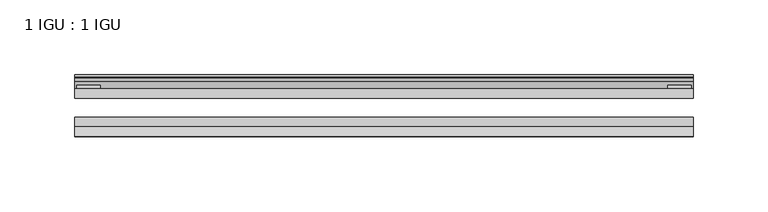
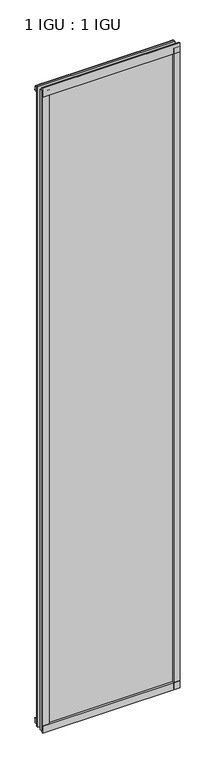
"""IFC4 building model written with IfcOpenShell, lengths in millimetres: plate geometry, 1 IGU : 1 IGU."""

from ifc_helpers import new_model, si_unit, point, frame, frame_2d, origin, place, context, project, spatial, polyline, circle_curve, trimmed, segment, composite_curve, outline, extrude, source, transform, mapped, element, save


def plate_1_igu_1_igu_457222c9(model_context):
    return source(origin(), model_context, "Body", "SweptSolid", [
        extrude(outline(polyline([(206.8731437, 0.0021347), (206.8731437, -6.2992), (-206.8731437, -6.2992), (-206.8731437, 0.0021347), (206.8731437, 0.0021347)])), frame((0.0, 0.0, -19.05), z_axis=(0.0, 0.0, 1.0), x_axis=(1.0, 0.0, 0.0)), (0.0, 0.0, 1.0), 2036.7580337),
        extrude(outline(polyline([(-206.8731437, -19.0986653), (206.8731437, -19.0986653), (206.8731437, -25.3978653), (-206.8731437, -25.3978653), (-206.8731437, -19.0986653)])), frame((0.0, 0.0, -19.05), z_axis=(0.0, 0.0, 1.0), x_axis=(1.0, 0.0, 0.0)), (0.0, 0.0, 1.0), 2036.7580337),
        extrude(outline(composite_curve([segment(polyline([(-31.75, 0.0), (-25.4, 0.0), (-25.4, -22.225)]), True, "CONTINUOUS"), segment(trimmed(circle_curve(frame_2d((-28.575, -28.9113452)), 7.4018806), [point((-25.4, -22.225))], [point((-31.75, -22.225))], True, "CARTESIAN"), True, "CONTINUOUS"), segment(polyline([(-31.75, -22.225), (-31.75, 0.0)]), True, "CONTINUOUS")], self_intersect=False)), frame((-206.8731437, 0.0, 0.0), z_axis=(1.0, 0.0, 0.0), x_axis=(0.0, 1.0, 0.0)), (0.0, 0.0, 1.0), 413.7462875),
        extrude(outline(composite_curve([segment(trimmed(circle_curve(frame_2d((13.6593785, 32.4202472)), 31.3046461), [point((0.0, 4.2528503))], [point((9.3980339, 1.406995))], True, "CARTESIAN"), True, "CONTINUOUS"), segment(polyline([(9.3980339, 1.406995), (9.3980339, 0.0254), (6.35, 0.0254), (6.35, -5.1625788), (7.7309478, -5.3970663), (6.35, -8.0073788), (6.35, -11.8471127)]), True, "CONTINUOUS"), segment(trimmed(circle_curve(frame_2d((5.334, -11.8471127)), 1.016), [point((6.35, -11.8471127))], [point((4.6284878, -12.5782136))], False, "CARTESIAN"), True, "CONTINUOUS"), segment(trimmed(circle_curve(frame_2d((-23.3689302, -41.5910901)), 40.3187601), [point((4.6284878, -12.5782136))], [point((0.0, -8.735413))], True, "CARTESIAN"), True, "CONTINUOUS"), segment(polyline([(0.0, -8.735413), (0.0, 4.2528503)]), True, "CONTINUOUS")], self_intersect=False)), frame((-206.8731437, 0.0, 0.0), z_axis=(1.0, 0.0, 0.0), x_axis=(0.0, 1.0, 0.0)), (0.0, 0.0, 1.0), 413.7462875),
        extrude(outline(composite_curve([segment(trimmed(circle_curve(frame_2d((-23.3689302, 2041.8747237)), 40.3187601), [point((0.0, 2009.0190467))], [point((4.9746073, 2013.1998864))], True, "CARTESIAN"), True, "CONTINUOUS"), segment(trimmed(circle_curve(frame_2d((5.8674, 2012.2966582)), 1.27), [point((4.9746073, 2013.1998864))], [point((7.1374, 2012.2966582))], False, "CARTESIAN"), True, "CONTINUOUS"), segment(polyline([(7.1374, 2012.2966582), (7.1374, 2007.8958505), (7.7309478, 2005.6806999), (6.35, 2005.4462125), (6.35, 2000.2582337), (9.3980339, 2000.2582337), (9.3980339, 1998.8766387)]), True, "CONTINUOUS"), segment(trimmed(circle_curve(frame_2d((13.6593785, 1967.8633864)), 31.3046461), [point((9.3980339, 1998.8766387))], [point((0.0, 1996.0307834))], True, "CARTESIAN"), True, "CONTINUOUS"), segment(polyline([(0.0, 1996.0307834), (0.0, 2009.0190467)]), True, "CONTINUOUS")], self_intersect=False)), frame((-206.8731437, 0.0, 0.0), z_axis=(1.0, 0.0, 0.0), x_axis=(0.0, 1.0, 0.0)), (0.0, 0.0, 1.0), 413.7462875),
        extrude(outline(composite_curve([segment(polyline([(-25.4, 2025.6582337), (-25.4, 2000.2582337), (-31.75, 2000.2582337), (-31.75, 2028.431131)]), True, "CONTINUOUS"), segment(trimmed(circle_curve(frame_2d((-24.1401272, 2037.2006452)), 11.6109665), [point((-31.75, 2028.431131))], [point((-25.4, 2025.6582337))], True, "CARTESIAN"), True, "CONTINUOUS")], self_intersect=False)), frame((-206.8731437, 0.0, 0.0), z_axis=(1.0, 0.0, 0.0), x_axis=(0.0, 1.0, 0.0)), (0.0, 0.0, 1.0), 413.7462875),
        extrude(outline(composite_curve([segment(polyline([(187.8231437, -25.4), (206.8731437, -25.4)]), True, "CONTINUOUS"), segment(trimmed(circle_curve(frame_2d((216.3392944, -28.575)), 9.9844196), [point((206.8731437, -25.4))], [point((206.8731437, -31.75))], True, "CARTESIAN"), True, "CONTINUOUS"), segment(polyline([(206.8731437, -31.75), (187.8231437, -31.75), (187.8231437, -25.4)]), True, "CONTINUOUS")], self_intersect=False)), frame((0.0, 0.0, -19.05), z_axis=(0.0, 0.0, 1.0), x_axis=(1.0, 0.0, 0.0)), (0.0, 0.0, 1.0), 2036.7580337),
        extrude(outline(polyline([(205.6666437, 2.2860088), (205.6666437, 0.0021347), (189.7916437, 0.0021347), (189.7916437, 2.2860088), (205.6666437, 2.2860088)])), frame((0.0, 0.0, -19.05), z_axis=(0.0, 0.0, 1.0), x_axis=(1.0, 0.0, 0.0)), (0.0, 0.0, 1.0), 2036.7580337),
        extrude(outline(composite_curve([segment(trimmed(circle_curve(frame_2d((-216.3392944, -28.575)), 9.9844196), [point((-206.8731437, -31.75))], [point((-206.8731437, -25.4))], True, "CARTESIAN"), True, "CONTINUOUS"), segment(polyline([(-206.8731437, -25.4), (-187.8231437, -25.4), (-187.8231437, -31.75), (-206.8731437, -31.75)]), True, "CONTINUOUS")], self_intersect=False)), frame((0.0, 0.0, -19.05), z_axis=(0.0, 0.0, 1.0), x_axis=(1.0, 0.0, 0.0)), (0.0, 0.0, 1.0), 2036.7580337),
        extrude(outline(polyline([(-205.6666437, 0.0), (-205.6666437, 2.286), (-189.7916437, 2.286), (-189.7916437, 0.0), (-205.6666437, 0.0)])), frame((0.0, 0.0, -19.05), z_axis=(0.0, 0.0, 1.0), x_axis=(1.0, 0.0, 0.0)), (0.0, 0.0, 1.0), 2036.7580337),
    ])


if __name__ == "__main__":
    model = new_model("IFC4")
    model_context = context("Model", 3, world=origin())
    ifc_project = project(units=[si_unit("LENGTHUNIT", "METRE", prefix="MILLI")], contexts=[model_context])
    site = spatial("IfcSite", under=ifc_project)
    building = spatial("IfcBuilding", under=site)
    placement = place(None, origin())
    plate_1_igu_1_igu_shape = plate_1_igu_1_igu_457222c9(model_context)
    element("IfcPlate", 1, ObjectType="1 IGU : 1 IGU", at=placement, inside=building, context=model_context, shape_type="MappedRepresentation", body=[
        mapped(plate_1_igu_1_igu_shape, transform((0.0, 0.0, 0.0), x_axis=(1.0, 0.0, 0.0), y_axis=(0.0, 1.0, 0.0), z_axis=(0.0, 0.0, 1.0))),
    ])
    save(model, "model.ifc")
